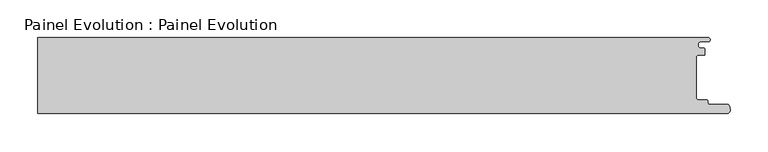
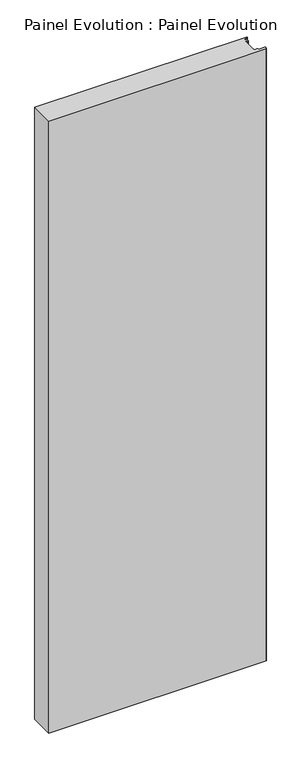
"""IFC4 building model written with IfcOpenShell, lengths in millimetres: proxy geometry, Painel Evolution : Painel Evolution."""

from ifc_helpers import new_model, si_unit, point, frame_2d, origin, origin_with_axes, place, context, project, spatial, polyline, circle_curve, trimmed, segment, composite_curve, outline, extrude, source, transform, mapped, element, save


def painel_evolution_painel_evolution_024db1a1(model_context):
    return source(origin(), model_context, "Body", "SweptSolid", [
        extrude(outline(composite_curve([segment(trimmed(circle_curve(frame_2d((506.313274, 34.7225035)), 1.5999999), [point((506.5911111, 36.2981958))], [point((507.912729, 34.7642596))], False, "CARTESIAN"), True, "CONTINUOUS"), segment(polyline([(507.912729, 34.7642596), (507.912729, 28.1436506)]), True, "CONTINUOUS"), segment(trimmed(circle_curve(frame_2d((506.8673147, 28.1436506)), 1.0454142), [point((507.912729, 28.1436506))], [point((506.8673147, 27.0982364))], False, "CARTESIAN"), True, "CONTINUOUS"), segment(polyline([(506.8673147, 27.0982364), (498.9512072, 27.0982364)]), True, "CONTINUOUS"), segment(trimmed(circle_curve(frame_2d((498.9512072, 24.7482365)), 2.3499999), [point((498.9512072, 27.0982364))], [point((496.6012073, 24.7482365))], True, "CARTESIAN"), True, "CONTINUOUS"), segment(polyline([(496.6012073, 24.7482365), (496.6012073, -29.6548179)]), True, "CONTINUOUS"), segment(trimmed(circle_curve(frame_2d((498.9512072, -29.6548179)), 2.3499999), [point((496.6012073, -29.6548179))], [point((498.9512072, -32.0048179))], True, "CARTESIAN"), True, "CONTINUOUS"), segment(polyline([(498.9512072, -32.0048179), (509.620698, -32.0048179)]), True, "CONTINUOUS"), segment(trimmed(circle_curve(frame_2d((509.620698, -34.4048179)), 2.4), [point((509.620698, -32.0048179))], [point((512.020698, -34.4048179))], False, "CARTESIAN"), True, "CONTINUOUS"), segment(polyline([(512.020698, -34.4048179), (512.020698, -36.4048176)]), True, "CONTINUOUS"), segment(trimmed(circle_curve(frame_2d((513.620698, -36.4048176)), 1.6), [point((512.020698, -36.4048176))], [point((513.620698, -38.0048176))], True, "CARTESIAN"), True, "CONTINUOUS"), segment(polyline([(513.620698, -38.0048176), (537.0114544, -38.0048176)]), True, "CONTINUOUS"), segment(trimmed(circle_curve(frame_2d((537.0114544, -41.7048175)), 3.6999999), [point((537.0114544, -38.0048176))], [point((540.6606899, -41.0940152))], False, "CARTESIAN"), True, "CONTINUOUS"), segment(polyline([(540.6606899, -41.0940152), (541.1021208, -46.1370337)]), True, "CONTINUOUS"), segment(trimmed(circle_curve(frame_2d((537.5514013, -46.4373369)), 3.563396), [point((541.1021208, -46.1370337))], [point((537.6236695, -50.0))], False, "CARTESIAN"), True, "CONTINUOUS"), segment(polyline([(537.6236695, -50.0), (-371.0873963, -50.0), (-371.0873963, 50.0), (512.4609375, 50.0)]), True, "CONTINUOUS"), segment(trimmed(circle_curve(frame_2d((512.4609375, 47.5)), 2.5), [point((512.4609375, 50.0))], [point((512.4609375, 45.0))], False, "CARTESIAN"), True, "CONTINUOUS"), segment(polyline([(512.4609375, 45.0), (503.1893843, 45.0)]), True, "CONTINUOUS"), segment(trimmed(circle_curve(frame_2d((503.1893843, 40.6490979)), 4.3509021), [point((503.1893843, 45.0))], [point((503.1893843, 36.2981958))], True, "CARTESIAN"), True, "CONTINUOUS"), segment(polyline([(503.1893843, 36.2981958), (506.5911111, 36.2981958)]), True, "CONTINUOUS")], self_intersect=False)), origin_with_axes(), (0.0, 0.0, 1.0), 2700.0),
    ])


if __name__ == "__main__":
    model = new_model("IFC4")
    model_context = context("Model", 3, world=origin())
    ifc_project = project(units=[si_unit("LENGTHUNIT", "METRE", prefix="MILLI")], contexts=[model_context])
    site = spatial("IfcSite", under=ifc_project)
    building = spatial("IfcBuilding", under=site)
    placement = place(None, origin())
    painel_evolution_painel_evolution_shape = painel_evolution_painel_evolution_024db1a1(model_context)
    element("IfcBuildingElementProxy", 1, Name="Painel Evolution : Painel Evolution", ObjectType="Painel Evolution : Painel Evolution", at=placement, inside=building, context=model_context, shape_type="MappedRepresentation", body=[
        mapped(painel_evolution_painel_evolution_shape, transform((0.0, 0.0, 0.0), x_axis=(1.0, 0.0, 0.0), y_axis=(0.0, 1.0, 0.0), z_axis=(0.0, 0.0, 1.0))),
    ])
    save(model, "model.ifc")
